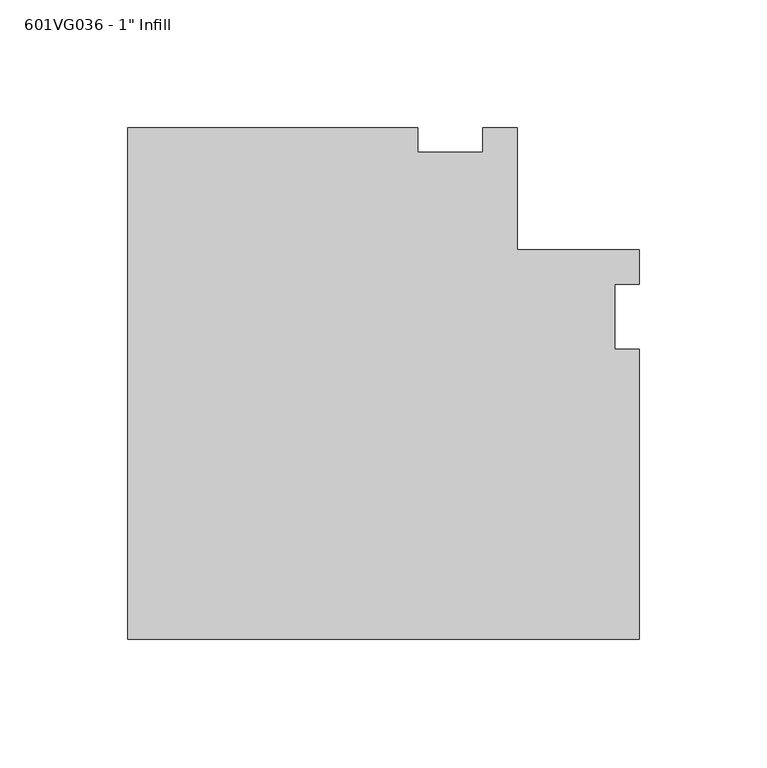
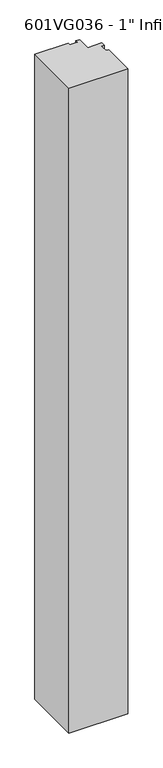
"""IFC4 building model written with IfcOpenShell, lengths in millimetres: proxy geometry."""

from ifc_helpers import new_model, si_unit, frame, origin, place, context, project, spatial, polyline, outline, extrude, source, transform, mapped, element, save


def proxy_6123c97e(model_context):
    return source(origin(), model_context, "Body", "SweptSolid", [
        extrude(outline(polyline([(-126.20625, -126.20625), (-126.20625, 73.97115), (-12.7, 73.97115), (-12.7, 64.44615), (12.7, 64.44615), (12.7, 73.97115), (26.1919183, 73.97115), (26.1919183, 26.19375), (73.97115, 26.19375), (73.97115, 12.7), (64.44615, 12.7), (64.44615, -12.7), (73.97115, -12.7), (73.97115, -126.20625), (-126.20625, -126.20625)])), frame((0.0, 0.0, 63.5), z_axis=(0.0, 0.0, 1.0), x_axis=(1.0, 0.0, 0.0)), (0.0, 0.0, 1.0), 2317.75),
    ])


if __name__ == "__main__":
    model = new_model("IFC4")
    model_context = context("Model", 3, world=origin())
    ifc_project = project(units=[si_unit("LENGTHUNIT", "METRE", prefix="MILLI")], contexts=[model_context])
    site = spatial("IfcSite", under=ifc_project)
    building = spatial("IfcBuilding", under=site)
    placement = place(None, origin())
    proxy_shape = proxy_6123c97e(model_context)
    element("IfcBuildingElementProxy", 1, Name="601VG036 - 1\" Infill", ObjectType="601VG036 - 1\" Infill", at=placement, inside=building, context=model_context, shape_type="MappedRepresentation", body=[
        mapped(proxy_shape, transform((0.0, 0.0, 0.0), x_axis=(1.0, 0.0, 0.0), y_axis=(0.0, 1.0, 0.0), z_axis=(0.0, 0.0, 1.0))),
    ])
    save(model, "model.ifc")
